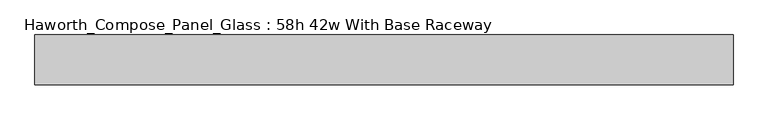
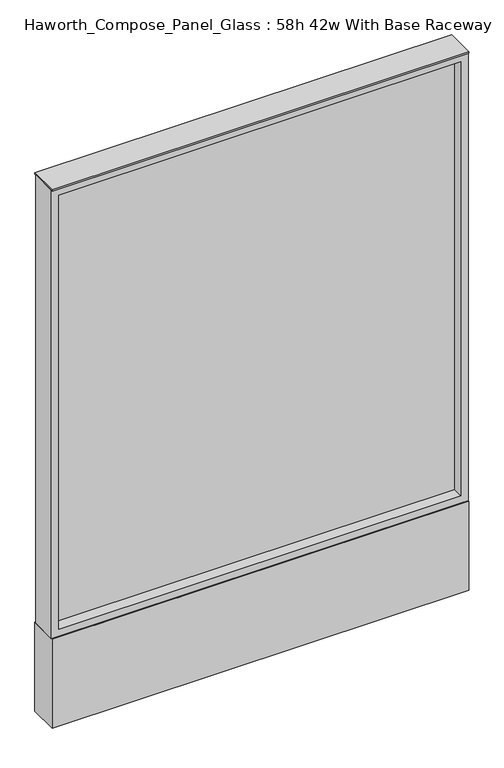
"""IFC4 building model written with IfcOpenShell, lengths in millimetres: furniture geometry, Haworth_Compose_Panel_Glass : 58h 42w With Base Raceway."""

from ifc_helpers import new_model, si_unit, point, frame, frame_2d, origin, origin_with_axes, place, context, project, spatial, polyline, circle_curve, trimmed, segment, composite_curve, outline, extrude, source, transform, mapped, element, save


def haworth_compose_panel_glass_58h_42w_with_base_raceway_6b46cb47(model_context):
    return source(origin(), model_context, "Body", "SweptSolid", [
        extrude(outline(composite_curve([segment(trimmed(circle_curve(frame_2d((459.6402902, 0.0)), 12.7), [point((446.9402902, 0.0))], [point((472.3402902, 0.0))], False, "CARTESIAN"), True, "CONTINUOUS"), segment(trimmed(circle_curve(frame_2d((459.6402902, 0.0)), 12.7), [point((472.3402902, 0.0))], [point((446.9402902, 0.0))], False, "CARTESIAN"), True, "CONTINUOUS")], self_intersect=False)), origin_with_axes(), (0.0, 0.0, 1.0), 12.7),
        extrude(outline(composite_curve([segment(trimmed(circle_curve(frame_2d((-454.7597098, 0.0)), 12.7), [point((-467.4597098, 0.0))], [point((-442.0597098, 0.0))], False, "CARTESIAN"), True, "CONTINUOUS"), segment(trimmed(circle_curve(frame_2d((-454.7597098, 0.0)), 12.7), [point((-442.0597098, 0.0))], [point((-467.4597098, 0.0))], False, "CARTESIAN"), True, "CONTINUOUS")], self_intersect=False)), origin_with_axes(), (0.0, 0.0, 1.0), 12.7),
        extrude(outline(polyline([(516.7902902, -6.35), (-511.9097098, -6.35), (-511.9097098, 6.35), (516.7902902, 6.35), (516.7902902, -6.35)])), frame((0.0, 0.0, 273.05), z_axis=(0.0, 0.0, 1.0), x_axis=(1.0, 0.0, 0.0)), (0.0, 0.0, 1.0), 1174.75),
        extrude(outline(polyline([(1466.85, -530.9597098), (254.0, -530.9597098), (254.0, 535.8402902), (1466.85, 535.8402902), (1466.85, -530.9597098)]), holes=[polyline([(1447.8, 516.7902902), (273.05, 516.7902902), (273.05, -511.9097098), (1447.8, -511.9097098), (1447.8, 516.7902902)])]), frame((0.0, -34.925, 0.0), z_axis=(0.0, 1.0, 0.0), x_axis=(0.0, 0.0, 1.0)), (0.0, 0.0, 1.0), 69.85),
        extrude(outline(polyline([(-530.9597098, 38.1), (535.8402902, 38.1), (535.8402902, -38.1), (-530.9597098, -38.1), (-530.9597098, 38.1)])), frame((0.0, 0.0, 12.7), z_axis=(0.0, 0.0, 1.0), x_axis=(1.0, 0.0, 0.0)), (0.0, 0.0, 1.0), 241.3),
        extrude(outline(polyline([(-530.9597098, -38.1), (-530.9597098, 38.1), (535.8402902, 38.1), (535.8402902, -38.1), (-530.9597098, -38.1)])), frame((0.0, 0.0, 1466.85), z_axis=(0.0, 0.0, 1.0), x_axis=(1.0, 0.0, 0.0)), (0.0, 0.0, 1.0), 3.175),
    ])


if __name__ == "__main__":
    model = new_model("IFC4")
    model_context = context("Model", 3, world=origin())
    ifc_project = project(units=[si_unit("LENGTHUNIT", "METRE", prefix="MILLI")], contexts=[model_context])
    site = spatial("IfcSite", under=ifc_project)
    building = spatial("IfcBuilding", under=site)
    placement = place(None, origin())
    haworth_compose_panel_glass_58h_42w_with_base_raceway_shape = haworth_compose_panel_glass_58h_42w_with_base_raceway_6b46cb47(model_context)
    element("IfcFurniture", 1, ObjectType="Haworth_Compose_Panel_Glass : 58h 42w With Base Raceway", at=placement, inside=building, context=model_context, shape_type="MappedRepresentation", body=[
        mapped(haworth_compose_panel_glass_58h_42w_with_base_raceway_shape, transform((0.0, 0.0, 0.0), x_axis=(1.0, 0.0, 0.0), y_axis=(0.0, 1.0, 0.0), z_axis=(0.0, 0.0, 1.0))),
    ])
    save(model, "model.ifc")
